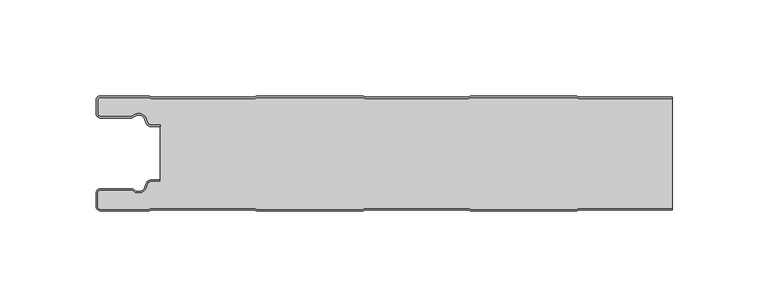
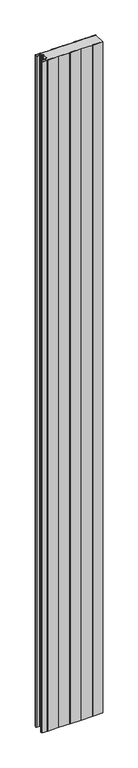
"""IFC4 building model written with IfcOpenShell, lengths in millimetres: plate geometry."""

from ifc_helpers import new_model, si_unit, point, frame_2d, origin, origin_with_axes, place, context, project, spatial, polyline, circle_curve, trimmed, segment, composite_curve, outline, extrude, source, transform, mapped, element, save


def plate_998a251c(model_context):
    return source(origin(), model_context, "Body", "SweptSolid", [
        extrude(outline(composite_curve([segment(trimmed(circle_curve(frame_2d((-147.49499, -9.0180361)), 2.50501), [point((-147.49499, -11.5230461))], [point((-150.0, -9.0180361))], False, "CARTESIAN"), True, "CONTINUOUS"), segment(polyline([(-150.0, -9.0180361), (-150.0, -2.50501)]), True, "CONTINUOUS"), segment(trimmed(circle_curve(frame_2d((-147.49499, -2.50501)), 2.50501), [point((-150.0, -2.50501))], [point((-147.49499, 0.0))], False, "CARTESIAN"), True, "CONTINUOUS"), segment(polyline([(-147.49499, 0.0), (-122.2103007, 0.0), (-121.028188, -0.6012024), (-67.6391467, -0.6012024), (-66.457034, 0.0), (-10.8776353, 0.0), (-9.6955227, -0.6012024), (43.6935186, -0.6012024), (44.8756313, 0.0), (100.45503, 0.0), (101.6371427, -0.6012024), (150.0, -0.6012024), (150.0, -1.4012024), (101.4453963, -1.4012024), (100.2632836, -0.8), (45.0673777, -0.8), (43.885265, -1.4012024), (-9.887269, -1.4012024), (-11.0693817, -0.8), (-66.2652876, -0.8), (-67.4474003, -1.4012024), (-121.2199344, -1.4012024), (-122.4020471, -0.8), (-147.49499, -0.8)]), True, "CONTINUOUS"), segment(trimmed(circle_curve(frame_2d((-147.49499, -2.50501)), 1.70501), [point((-147.49499, -0.8))], [point((-149.2, -2.50501))], True, "CARTESIAN"), True, "CONTINUOUS"), segment(polyline([(-149.2, -2.50501), (-149.2, -9.0180361)]), True, "CONTINUOUS"), segment(trimmed(circle_curve(frame_2d((-147.49499, -9.0180361)), 1.70501), [point((-149.2, -9.0180361))], [point((-147.49499, -10.7230461))], True, "CARTESIAN"), True, "CONTINUOUS"), segment(polyline([(-147.49499, -10.7230461), (-131.8173283, -10.7230461)]), True, "CONTINUOUS"), segment(trimmed(circle_curve(frame_2d((-131.8173283, -9.0180361)), 1.70501), [point((-131.8173283, -10.7230461))], [point((-130.6895701, -10.2967936))], True, "CARTESIAN"), True, "CONTINUOUS"), segment(trimmed(circle_curve(frame_2d((-127.8407481, -13.5270541)), 4.307014), [point((-130.6895701, -10.2967936))], [point((-123.7934788, -12.0539686))], False, "CARTESIAN"), True, "CONTINUOUS"), segment(polyline([(-123.7934788, -12.0539686), (-123.0450711, -14.1102019)]), True, "CONTINUOUS"), segment(trimmed(circle_curve(frame_2d((-121.4428858, -13.5270541)), 1.70501), [point((-123.0450711, -14.1102019))], [point((-121.4428858, -15.2320641))], True, "CARTESIAN"), True, "CONTINUOUS"), segment(polyline([(-121.4428858, -15.2320641), (-116.4328657, -15.2320641), (-116.4328657, -16.0320641), (-121.4428858, -16.0320641)]), True, "CONTINUOUS"), segment(trimmed(circle_curve(frame_2d((-121.4428858, -13.5270541)), 2.50501), [point((-121.4428858, -16.0320641))], [point((-123.7968252, -14.383818))], False, "CARTESIAN"), True, "CONTINUOUS"), segment(polyline([(-123.7968252, -14.383818), (-124.5452329, -12.3275847)]), True, "CONTINUOUS"), segment(trimmed(circle_curve(frame_2d((-127.8407481, -13.5270541)), 3.507014), [point((-124.5452329, -12.3275847))], [point((-130.1604199, -10.8967936))], True, "CARTESIAN"), True, "CONTINUOUS"), segment(trimmed(circle_curve(frame_2d((-131.8173283, -9.0180361)), 2.50501), [point((-130.1604199, -10.8967936))], [point((-131.8173283, -11.5230461))], False, "CARTESIAN"), True, "CONTINUOUS"), segment(polyline([(-131.8173283, -11.5230461), (-147.49499, -11.5230461)]), True, "CONTINUOUS")], self_intersect=False)), origin_with_axes(), (0.0, 0.0, 1.0), 3500.0),
        extrude(outline(composite_curve([segment(trimmed(circle_curve(frame_2d((-121.4428858, -13.5270541)), 1.70501), [point((-121.4428858, -15.2320641))], [point((-123.0450711, -14.1102019))], False, "CARTESIAN"), True, "CONTINUOUS"), segment(polyline([(-123.0450711, -14.1102019), (-123.7934788, -12.0539686)]), True, "CONTINUOUS"), segment(trimmed(circle_curve(frame_2d((-127.8407481, -13.5270541)), 4.307014), [point((-123.7934788, -12.0539686))], [point((-130.6895701, -10.2967936))], True, "CARTESIAN"), True, "CONTINUOUS"), segment(trimmed(circle_curve(frame_2d((-131.8173283, -9.0180361)), 1.70501), [point((-130.6895701, -10.2967936))], [point((-131.8173283, -10.7230461))], False, "CARTESIAN"), True, "CONTINUOUS"), segment(polyline([(-131.8173283, -10.7230461), (-147.49499, -10.7230461)]), True, "CONTINUOUS"), segment(trimmed(circle_curve(frame_2d((-147.49499, -9.0180361)), 1.70501), [point((-147.49499, -10.7230461))], [point((-149.2, -9.0180361))], False, "CARTESIAN"), True, "CONTINUOUS"), segment(polyline([(-149.2, -9.0180361), (-149.2, -2.50501)]), True, "CONTINUOUS"), segment(trimmed(circle_curve(frame_2d((-147.49499, -2.50501)), 1.70501), [point((-149.2, -2.50501))], [point((-147.49499, -0.8))], False, "CARTESIAN"), True, "CONTINUOUS"), segment(polyline([(-147.49499, -0.8), (-122.4020471, -0.8), (-121.2199344, -1.4012024), (-67.4474003, -1.4012024), (-66.2652876, -0.8), (-11.0693817, -0.8), (-9.887269, -1.4012024), (43.885265, -1.4012024), (45.0673777, -0.8), (100.2632836, -0.8), (101.4453963, -1.4012024), (150.0, -1.4012024), (150.0, -58.5987976), (101.4453963, -58.5987976), (100.2632836, -59.2), (45.0673777, -59.2), (43.885265, -58.5987976), (-9.887269, -58.5987976), (-11.0693817, -59.2), (-66.2652876, -59.2), (-67.4474003, -58.5987976), (-121.2199344, -58.5987976), (-122.4020471, -59.2), (-147.49499, -59.2)]), True, "CONTINUOUS"), segment(trimmed(circle_curve(frame_2d((-147.49499, -57.49499)), 1.70501), [point((-147.49499, -59.2))], [point((-149.2, -57.49499))], False, "CARTESIAN"), True, "CONTINUOUS"), segment(polyline([(-149.2, -57.49499), (-149.2, -50.9819639)]), True, "CONTINUOUS"), segment(trimmed(circle_curve(frame_2d((-147.49499, -50.9819639)), 1.70501), [point((-149.2, -50.9819639))], [point((-147.49499, -49.2769539))], False, "CARTESIAN"), True, "CONTINUOUS"), segment(polyline([(-147.49499, -49.2769539), (-131.8173283, -49.2769539)]), True, "CONTINUOUS"), segment(trimmed(circle_curve(frame_2d((-131.8173283, -50.9819639)), 1.70501), [point((-131.8173283, -49.2769539))], [point((-130.6895701, -49.7032064))], False, "CARTESIAN"), True, "CONTINUOUS"), segment(trimmed(circle_curve(frame_2d((-127.8407481, -46.4729459)), 4.307014), [point((-130.6895701, -49.7032064))], [point((-123.7934788, -47.9460314))], True, "CARTESIAN"), True, "CONTINUOUS"), segment(polyline([(-123.7934788, -47.9460314), (-123.0450711, -45.8897981)]), True, "CONTINUOUS"), segment(trimmed(circle_curve(frame_2d((-121.4428858, -46.4729459)), 1.70501), [point((-123.0450711, -45.8897981))], [point((-121.4428858, -44.7679359))], False, "CARTESIAN"), True, "CONTINUOUS"), segment(polyline([(-121.4428858, -44.7679359), (-116.4328657, -44.7679359), (-116.4328657, -15.2320641), (-121.4428858, -15.2320641)]), True, "CONTINUOUS")], self_intersect=False)), origin_with_axes(), (0.0, 0.0, 1.0), 3500.0),
        extrude(outline(composite_curve([segment(polyline([(-147.49499, -48.4769539), (-131.8173283, -48.4769539)]), True, "CONTINUOUS"), segment(trimmed(circle_curve(frame_2d((-131.8173283, -50.9819639)), 2.50501), [point((-131.8173283, -48.4769539))], [point((-130.1604199, -49.1032064))], False, "CARTESIAN"), True, "CONTINUOUS"), segment(trimmed(circle_curve(frame_2d((-127.8407481, -46.4729459)), 3.507014), [point((-130.1604199, -49.1032064))], [point((-124.5452329, -47.6724153))], True, "CARTESIAN"), True, "CONTINUOUS"), segment(polyline([(-124.5452329, -47.6724153), (-123.7968252, -45.616182)]), True, "CONTINUOUS"), segment(trimmed(circle_curve(frame_2d((-121.4428858, -46.4729459)), 2.50501), [point((-123.7968252, -45.616182))], [point((-121.4428858, -43.9679359))], False, "CARTESIAN"), True, "CONTINUOUS"), segment(polyline([(-121.4428858, -43.9679359), (-116.4328657, -43.9679359), (-116.4328657, -44.7679359), (-121.4428858, -44.7679359)]), True, "CONTINUOUS"), segment(trimmed(circle_curve(frame_2d((-121.4428858, -46.4729459)), 1.70501), [point((-121.4428858, -44.7679359))], [point((-123.0450711, -45.8897981))], True, "CARTESIAN"), True, "CONTINUOUS"), segment(polyline([(-123.0450711, -45.8897981), (-123.7934788, -47.9460314)]), True, "CONTINUOUS"), segment(trimmed(circle_curve(frame_2d((-127.8407481, -46.4729459)), 4.307014), [point((-123.7934788, -47.9460314))], [point((-130.6895701, -49.7032064))], False, "CARTESIAN"), True, "CONTINUOUS"), segment(trimmed(circle_curve(frame_2d((-131.8173283, -50.9819639)), 1.70501), [point((-130.6895701, -49.7032064))], [point((-131.8173283, -49.2769539))], True, "CARTESIAN"), True, "CONTINUOUS"), segment(polyline([(-131.8173283, -49.2769539), (-147.49499, -49.2769539)]), True, "CONTINUOUS"), segment(trimmed(circle_curve(frame_2d((-147.49499, -50.9819639)), 1.70501), [point((-147.49499, -49.2769539))], [point((-149.2, -50.9819639))], True, "CARTESIAN"), True, "CONTINUOUS"), segment(polyline([(-149.2, -50.9819639), (-149.2, -57.49499)]), True, "CONTINUOUS"), segment(trimmed(circle_curve(frame_2d((-147.49499, -57.49499)), 1.70501), [point((-149.2, -57.49499))], [point((-147.49499, -59.2))], True, "CARTESIAN"), True, "CONTINUOUS"), segment(polyline([(-147.49499, -59.2), (-122.4020471, -59.2), (-121.2199344, -58.5987976), (-67.4474003, -58.5987976), (-66.2652876, -59.2), (-11.0693817, -59.2), (-9.887269, -58.5987976), (43.885265, -58.5987976), (45.0673777, -59.2), (100.2632836, -59.2), (101.4453963, -58.5987976), (150.0, -58.5987976), (150.0, -59.3987976), (101.6371427, -59.3987976), (100.45503, -60.0), (44.8756313, -60.0), (43.6935186, -59.3987976), (-9.6955227, -59.3987976), (-10.8776353, -60.0), (-66.457034, -60.0), (-67.6391467, -59.3987976), (-121.028188, -59.3987976), (-122.2103007, -60.0), (-147.49499, -60.0)]), True, "CONTINUOUS"), segment(trimmed(circle_curve(frame_2d((-147.49499, -57.49499)), 2.50501), [point((-147.49499, -60.0))], [point((-150.0, -57.49499))], False, "CARTESIAN"), True, "CONTINUOUS"), segment(polyline([(-150.0, -57.49499), (-150.0, -50.9819639)]), True, "CONTINUOUS"), segment(trimmed(circle_curve(frame_2d((-147.49499, -50.9819639)), 2.50501), [point((-150.0, -50.9819639))], [point((-147.49499, -48.4769539))], False, "CARTESIAN"), True, "CONTINUOUS")], self_intersect=False)), origin_with_axes(), (0.0, 0.0, 1.0), 3500.0),
    ])


if __name__ == "__main__":
    model = new_model("IFC4")
    model_context = context("Model", 3, world=origin())
    ifc_project = project(units=[si_unit("LENGTHUNIT", "METRE", prefix="MILLI")], contexts=[model_context])
    site = spatial("IfcSite", under=ifc_project)
    building = spatial("IfcBuilding", under=site)
    placement = place(None, origin())
    plate_shape = plate_998a251c(model_context)
    element("IfcPlate", 1, at=placement, inside=building, context=model_context, shape_type="MappedRepresentation", body=[
        mapped(plate_shape, transform((0.0, 0.0, 0.0), x_axis=(1.0, 0.0, 0.0), y_axis=(0.0, 1.0, 0.0), z_axis=(0.0, 0.0, 1.0))),
    ])
    save(model, "model.ifc")
